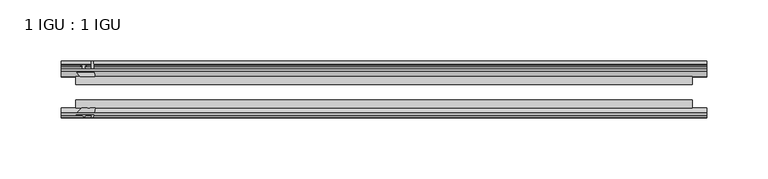
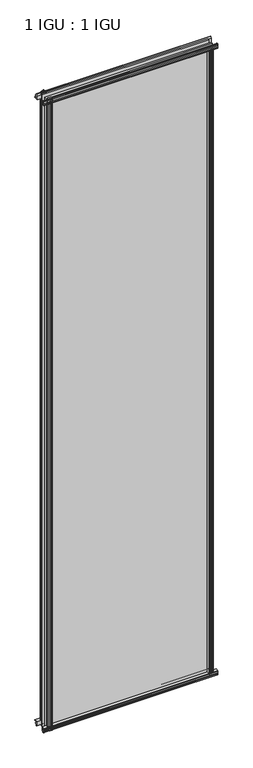
"""IFC4 building model written with IfcOpenShell, lengths in millimetres: plate geometry, 1 IGU : 1 IGU."""

from ifc_helpers import new_model, si_unit, point, frame, frame_2d, origin, origin_with_axes, place, context, project, spatial, polyline, circle_curve, trimmed, segment, composite_curve, outline, extrude, source, transform, mapped, element, save


def plate_1_igu_1_igu_810cdcc1(model_context):
    return source(origin(), model_context, "Body", "SweptSolid", [
        extrude(outline(polyline([(-24.9039062, 2.5763839), (-12.2039062, 1.5739665), (-12.2039062, 0.0), (-18.5539062, 0.0), (-18.5539062, -4.953), (-16.254502, -5.5691235), (-16.6301757, -4.1670901), (-15.7714677, -3.937), (-15.1249062, -6.35), (-15.7714677, -8.763), (-16.6301757, -8.5329099), (-16.254502, -7.1308765), (-18.5539062, -7.747), (-18.5539062, -12.7), (-20.5859062, -12.7), (-24.9039062, -9.1036931), (-24.9039062, 2.5763839)])), frame((-262.3729155, 0.0, 0.0), z_axis=(1.0, 0.0, 0.0), x_axis=(0.0, 1.0, 0.0)), (0.0, 0.0, 1.0), 526.4325497),
        extrude(outline(composite_curve([segment(polyline([(-58.2287402, 1.5687054), (-50.3039062, 3.0983599), (-50.3039062, -7.92383), (-54.4858806, -12.1058044)]), True, "CONTINUOUS"), segment(trimmed(circle_curve(frame_2d((-55.3839062, -11.2077788)), 1.27), [point((-54.4858806, -12.1058044))], [point((-56.6539062, -11.2077788))], False, "CARTESIAN"), True, "CONTINUOUS"), segment(polyline([(-56.6539062, -11.2077788), (-56.6539062, -8.0327788), (-58.1332022, -5.4488186), (-56.6539062, -5.1879788), (-56.6539062, 0.2222212), (-58.2287402, 0.0), (-58.2287402, 1.5687054)]), True, "CONTINUOUS")], self_intersect=False)), frame((-262.3729155, 0.0, 0.0), z_axis=(1.0, 0.0, 0.0), x_axis=(0.0, 1.0, 0.0)), (0.0, 0.0, 1.0), 526.4325497),
        extrude(outline(polyline([(-18.5539063, 2001.656525), (-16.254502, 2001.0404015), (-16.6301757, 2002.4424349), (-15.7714677, 2002.672525), (-15.1249063, 2000.259525), (-15.7714677, 1997.846525), (-16.6301757, 1998.0766151), (-16.254502, 1999.4786485), (-18.5539063, 1998.862525), (-18.5539063, 1993.909525), (-12.2039062, 1993.909525), (-12.2039062, 1992.3355585), (-24.9039063, 1991.3331411), (-24.9039063, 2003.0132181), (-20.5859063, 2006.609525), (-18.5539063, 2006.609525), (-18.5539063, 2001.656525)])), frame((-262.3729155, 0.0, 0.0), z_axis=(1.0, 0.0, 0.0), x_axis=(0.0, 1.0, 0.0)), (0.0, 0.0, 1.0), 526.4325497),
        extrude(outline(composite_curve([segment(polyline([(-50.3039063, 2001.833355), (-50.3039063, 1990.8111651), (-58.2287402, 1992.3408196), (-58.2287402, 1993.909525), (-56.6539063, 1993.6873038), (-56.6539063, 1999.0975038), (-58.1332023, 1999.3583436), (-56.6539063, 2001.9423038), (-56.6539063, 2005.1173038)]), True, "CONTINUOUS"), segment(trimmed(circle_curve(frame_2d((-55.3839063, 2005.1173038)), 1.27), [point((-56.6539063, 2005.1173038))], [point((-54.4858806, 2006.0153294))], False, "CARTESIAN"), True, "CONTINUOUS"), segment(polyline([(-54.4858806, 2006.0153294), (-50.3039063, 2001.833355)]), True, "CONTINUOUS")], self_intersect=False)), frame((-262.3729155, 0.0, 0.0), z_axis=(1.0, 0.0, 0.0), x_axis=(0.0, 1.0, 0.0)), (0.0, 0.0, 1.0), 526.4325497),
        extrude(outline(composite_curve([segment(polyline([(237.7667902, -57.3876965), (236.3994743, -50.3039063), (247.4216642, -50.3039063), (251.6036386, -54.4858806)]), True, "CONTINUOUS"), segment(trimmed(circle_curve(frame_2d((250.705613, -55.3839062)), 1.27), [point((251.6036386, -54.4858806))], [point((250.705613, -56.6539062))], False, "CARTESIAN"), True, "CONTINUOUS"), segment(polyline([(250.705613, -56.6539062), (247.530613, -56.6539063), (244.9466528, -58.1332023), (244.685813, -56.6539063), (239.275613, -56.6539063), (239.4978342, -58.2287402), (238.5335134, -58.2014026)]), True, "CONTINUOUS"), segment(trimmed(circle_curve(frame_2d((238.767613, -57.2127402)), 1.016), [point((238.5335134, -58.2014026))], [point((237.7667902, -57.3876965))], False, "CARTESIAN"), True, "CONTINUOUS")], self_intersect=False)), origin_with_axes(), (0.0, 0.0, 1.0), 1994.3064),
        extrude(outline(polyline([(244.4508342, -18.5539062), (245.0669577, -16.254502), (243.6649243, -16.6301757), (243.4348342, -15.7714677), (245.8478342, -15.1249062), (248.2608342, -15.7714677), (248.0307441, -16.6301757), (246.6287107, -16.254502), (247.2448342, -18.5539062), (252.1978342, -18.5539062), (252.1978342, -20.5859062), (248.6015273, -24.9039063), (236.9214503, -24.9039063), (237.9238677, -12.2039062), (239.4978342, -12.2039062), (239.4978342, -18.5539062), (244.4508342, -18.5539062)])), origin_with_axes(), (0.0, 0.0, 1.0), 1994.3064),
        extrude(outline(composite_curve([segment(polyline([(-245.8438943, -56.6539062), (-249.0188943, -56.6539062)]), True, "CONTINUOUS"), segment(trimmed(circle_curve(frame_2d((-249.0188943, -55.3839062)), 1.27), [point((-249.0188943, -56.6539062))], [point((-249.9169199, -54.4858806))], False, "CARTESIAN"), True, "CONTINUOUS"), segment(polyline([(-249.9169199, -54.4858806), (-245.7349455, -50.3039062), (-242.0654, -50.3039062)]), True, "CONTINUOUS"), segment(trimmed(circle_curve(frame_2d((-240.0018943, -46.3669062)), 4.445), [point((-242.0654, -50.3039062))], [point((-237.9383885, -50.3039062))], True, "CARTESIAN"), True, "CONTINUOUS"), segment(polyline([(-237.9383885, -50.3039062), (-234.7127555, -50.3039062), (-236.24241, -58.2287402), (-237.8111155, -58.2287402), (-237.5888943, -56.6539062), (-242.9990943, -56.6539062), (-243.2599341, -58.1332022), (-245.8438943, -56.6539062)]), True, "CONTINUOUS")], self_intersect=False)), frame((0.0, 0.0, -12.7), z_axis=(0.0, 0.0, 1.0), x_axis=(1.0, 0.0, 0.0)), (0.0, 0.0, 1.0), 2019.309525),
        extrude(outline(polyline([(-235.2347315, -24.9039062), (-246.9148086, -24.9039062), (-250.5111155, -20.5859062), (-250.5111155, -18.5539062), (-245.5581155, -18.5539062), (-244.9419919, -16.254502), (-246.3440253, -16.6301757), (-246.5741155, -15.7714677), (-244.1611155, -15.1249062), (-241.7481155, -15.7714677), (-241.9782056, -16.6301757), (-243.380239, -16.254502), (-242.7641155, -18.5539062), (-237.8111155, -18.5539062), (-237.8111155, -12.2039062), (-236.2371489, -12.2039062), (-235.2347315, -24.9039062)])), frame((0.0, 0.0, -12.7), z_axis=(0.0, 0.0, 1.0), x_axis=(1.0, 0.0, 0.0)), (0.0, 0.0, 1.0), 2019.309525),
        extrude(outline(polyline([(252.1978342, -24.9039062), (252.1978342, -31.2031063), (-250.5111155, -31.2031063), (-250.5111155, -24.9039062), (252.1978342, -24.9039062)])), frame((0.0, 0.0, -12.7), z_axis=(0.0, 0.0, 1.0), x_axis=(1.0, 0.0, 0.0)), (0.0, 0.0, 1.0), 2019.309525),
        extrude(outline(polyline([(-250.5111155, -44.0047063), (252.1978342, -44.0047063), (252.1978342, -50.3039062), (-250.5111155, -50.3039062), (-250.5111155, -44.0047063)])), frame((0.0, 0.0, -12.7), z_axis=(0.0, 0.0, 1.0), x_axis=(1.0, 0.0, 0.0)), (0.0, 0.0, 1.0), 2019.309525),
    ])


if __name__ == "__main__":
    model = new_model("IFC4")
    model_context = context("Model", 3, world=origin())
    ifc_project = project(units=[si_unit("LENGTHUNIT", "METRE", prefix="MILLI")], contexts=[model_context])
    site = spatial("IfcSite", under=ifc_project)
    building = spatial("IfcBuilding", under=site)
    placement = place(None, origin())
    plate_1_igu_1_igu_shape = plate_1_igu_1_igu_810cdcc1(model_context)
    element("IfcPlate", 1, ObjectType="1 IGU : 1 IGU", at=placement, inside=building, context=model_context, shape_type="MappedRepresentation", body=[
        mapped(plate_1_igu_1_igu_shape, transform((0.0, 0.0, 0.0), x_axis=(1.0, 0.0, 0.0), y_axis=(0.0, 1.0, 0.0), z_axis=(0.0, 0.0, 1.0))),
    ])
    save(model, "model.ifc")
